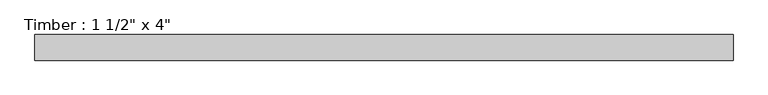
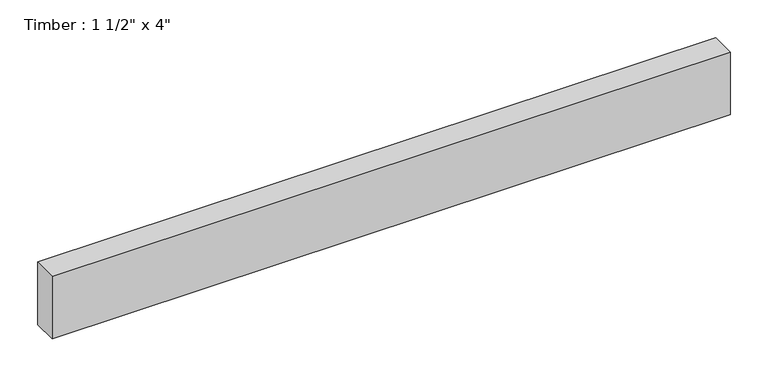
"""IFC4 building model written with IfcOpenShell, lengths in millimetres: beam geometry."""

from ifc_helpers import new_model, si_unit, frame, origin, place, context, project, spatial, polyline, outline, extrude, source, transform, mapped, element, save


def beam_ef31fbb1(model_context):
    return source(origin(), model_context, "Body", "SweptSolid", [
        extrude(outline(polyline([(518.4977668, -19.05), (-518.4977668, -19.05), (-518.4977668, 19.05), (518.4977668, 19.05), (518.4977668, -19.05)])), frame((0.0, 0.0, -50.8), z_axis=(0.0, 0.0, 1.0), x_axis=(1.0, 0.0, 0.0)), (0.0, 0.0, 1.0), 101.6),
    ])


if __name__ == "__main__":
    model = new_model("IFC4")
    model_context = context("Model", 3, world=origin())
    ifc_project = project(units=[si_unit("LENGTHUNIT", "METRE", prefix="MILLI")], contexts=[model_context])
    site = spatial("IfcSite", under=ifc_project)
    building = spatial("IfcBuilding", under=site)
    placement = place(None, origin())
    beam_shape = beam_ef31fbb1(model_context)
    element("IfcBeam", 1, ObjectType="Timber : 1 1/2\" x 4\"", at=placement, inside=building, context=model_context, shape_type="MappedRepresentation", body=[
        mapped(beam_shape, transform((0.0, 0.0, 0.0), x_axis=(1.0, 0.0, 0.0), y_axis=(0.0, 1.0, 0.0), z_axis=(0.0, 0.0, 1.0))),
    ])
    save(model, "model.ifc")
